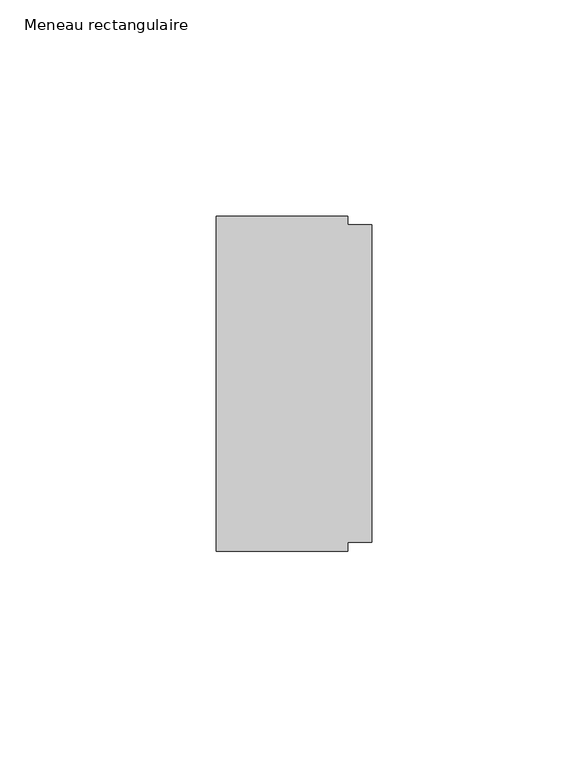
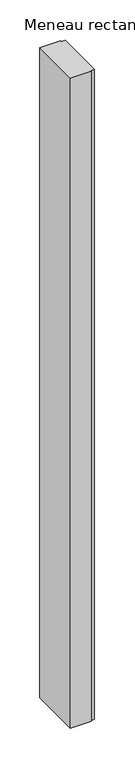
"""IFC4 building model written with IfcOpenShell, lengths in millimetres: member geometry, Meneau rectangulaire."""

from ifc_helpers import new_model, si_unit, frame, origin, place, context, project, spatial, polyline, outline, extrude, source, transform, mapped, element, save


def meneau_rectangulaire_5ba7c076(model_context):
    return source(origin(), model_context, "Body", "SweptSolid", [
        extrude(outline(polyline([(0.0, 36.75), (0.0, -36.75), (-5.5, -36.75), (-5.5, -38.75), (-36.0, -38.75), (-36.0, 38.75), (-5.5, 38.75), (-5.5, 36.75), (0.0, 36.75)])), frame((0.0, 0.0, -1000.0), z_axis=(0.0, 0.0, 1.0), x_axis=(1.0, 0.0, 0.0)), (0.0, 0.0, 1.0), 1000.0),
    ])


if __name__ == "__main__":
    model = new_model("IFC4")
    model_context = context("Model", 3, world=origin())
    ifc_project = project(units=[si_unit("LENGTHUNIT", "METRE", prefix="MILLI")], contexts=[model_context])
    site = spatial("IfcSite", under=ifc_project)
    building = spatial("IfcBuilding", under=site)
    placement = place(None, origin())
    meneau_rectangulaire_shape = meneau_rectangulaire_5ba7c076(model_context)
    element("IfcMember", 1, ObjectType="Meneau rectangulaire", at=placement, inside=building, context=model_context, shape_type="MappedRepresentation", body=[
        mapped(meneau_rectangulaire_shape, transform((0.0, 0.0, 0.0), x_axis=(1.0, 0.0, 0.0), y_axis=(0.0, 1.0, 0.0), z_axis=(0.0, 0.0, 1.0))),
    ])
    save(model, "model.ifc")
